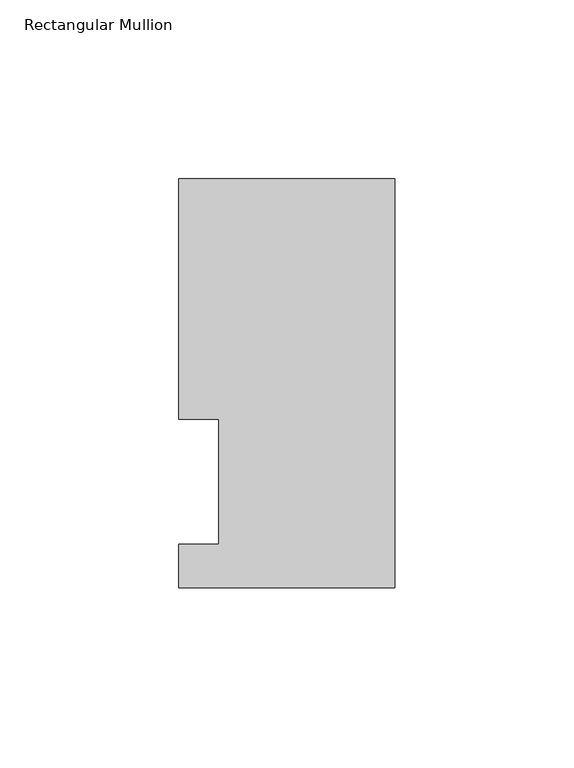
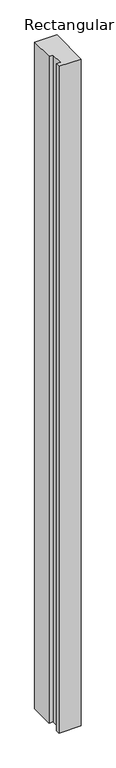
"""IFC4 building model written with IfcOpenShell, lengths in millimetres: member geometry, Rectangular Mullion."""

import ifcopenshell
import ifcopenshell.guid

model = None  # the IFC model being written
_history = None  # IfcOwnerHistory: only IFC2X3 demands one
_inside = {}  # id of a spatial element -> (the spatial element, [elements in it])
_under = {}  # id of a project, library or spatial element -> (it, [spatial elements below it])
_declared = {}  # id of a project -> (the project, [libraries it declares])
_typed = {}  # id of a type object -> (the type object, [elements of that type])
_made_of = {}  # id of a material, layer set ... -> (it, [elements and type objects made of it])


def new_model(schema):
    """Start an empty IFC model of exactly this schema.

    Asked for "IFC4X3", IfcOpenShell would pick the latest addendum, in which some entities
    have other attributes; the version numbers below select the first issue.
    IFC2X3 requires an IfcOwnerHistory on every rooted entity: one is made here for all.
    """
    global model, _history
    if schema == "IFC4X3":
        model = ifcopenshell.file(schema_version=(4, 3, 0, 0))
    else:
        model = ifcopenshell.file(schema=schema)
    _inside.clear()
    _under.clear()
    _declared.clear()
    _typed.clear()
    _made_of.clear()
    _history = None
    if model.schema == "IFC2X3":
        org = make("IfcOrganization", Name="unknown")
        user = make(
            "IfcPersonAndOrganization",
            ThePerson=make("IfcPerson", FamilyName="unknown"),
            TheOrganization=org,
        )
        app = make(
            "IfcApplication",
            ApplicationDeveloper=org,
            Version="unknown",
            ApplicationFullName="unknown",
            ApplicationIdentifier="unknown",
        )
        _history = make(
            "IfcOwnerHistory",
            OwningUser=user,
            OwningApplication=app,
            ChangeAction="ADDED",
            CreationDate=0,
        )
    return model


def make(cls, **values):
    """One entity of the class cls with the attributes given. An attribute that is None is left unset."""
    return model.create_entity(
        cls, **{name: value for name, value in values.items() if value is not None}
    )


def rooted(cls, **values):
    """An entity with a GlobalId (a new one), such as an element, a storey or a relation."""
    return make(cls, GlobalId=ifcopenshell.guid.new(), OwnerHistory=_history, **values)


def si_unit(unit_type, name, prefix=None):
    """IfcSIUnit, for example si_unit("LENGTHUNIT", "METRE", prefix="MILLI")."""
    return make("IfcSIUnit", UnitType=unit_type, Prefix=prefix, Name=name)


def assignment(units):
    """IfcUnitAssignment: the units of a project."""
    return None if units is None else make("IfcUnitAssignment", Units=units)


def point(xyz):
    """IfcCartesianPoint."""
    return None if xyz is None else make("IfcCartesianPoint", Coordinates=xyz)


def direction(xyz):
    """IfcDirection."""
    return None if xyz is None else make("IfcDirection", DirectionRatios=xyz)


def frame(location, z_axis=None, x_axis=None):
    """IfcAxis2Placement3D, a coordinate frame: its origin and axes. An axis left out is left unset."""
    return make(
        "IfcAxis2Placement3D",
        Location=point(location),
        Axis=direction(z_axis),
        RefDirection=direction(x_axis),
    )


def origin():
    """The frame at (0, 0, 0) with its axes left unset."""
    return frame((0.0, 0.0, 0.0))


def place(relative_to, where):
    """IfcLocalPlacement: puts the frame where relative to a parent placement (None: the world)."""
    return make(
        "IfcLocalPlacement", PlacementRelTo=relative_to, RelativePlacement=where
    )


def context(
    kind, dimensions, precision=None, world=None, true_north=None, identifier=None
):
    """IfcGeometricRepresentationContext, for example the 3D "Model" context."""
    return make(
        "IfcGeometricRepresentationContext",
        ContextIdentifier=identifier,
        ContextType=kind,
        CoordinateSpaceDimension=dimensions,
        Precision=precision,
        WorldCoordinateSystem=world,
        TrueNorth=true_north,
    )


def project(units=None, contexts=None):
    """IfcProject with its units and contexts."""
    return rooted(
        "IfcProject",
        Name="project",
        RepresentationContexts=contexts,
        UnitsInContext=assignment(units),
    )


def spatial(cls, under=None, at=None, **own):
    """A site, building, storey or space (cls), placed at a placement, below another one or the project."""
    s = rooted(cls, ObjectPlacement=at, **own)
    if under is not None:
        _under.setdefault(under.id(), (under, []))[1].append(s)
    return s


def polyline(points):
    """IfcPolyline through the points."""
    return make("IfcPolyline", Points=[point(p) for p in points])


def outline(outer, holes=None, kind="AREA"):
    """IfcArbitraryClosedProfileDef: a profile drawn as a closed curve; with holes, ...WithVoids."""
    if holes is None:
        return make("IfcArbitraryClosedProfileDef", ProfileType=kind, OuterCurve=outer)
    return make(
        "IfcArbitraryProfileDefWithVoids",
        ProfileType=kind,
        OuterCurve=outer,
        InnerCurves=holes,
    )


def extrude(swept, where, along, depth):
    """IfcExtrudedAreaSolid: the profile swept, set in the frame where, extruded along a direction by depth."""
    return make(
        "IfcExtrudedAreaSolid",
        SweptArea=swept,
        Position=where,
        ExtrudedDirection=direction(along),
        Depth=depth,
    )


def shape(context_of_items, identifier, shape_type, items):
    """IfcShapeRepresentation: the items that make up one representation, for example the "Body"."""
    return make(
        "IfcShapeRepresentation",
        ContextOfItems=context_of_items,
        RepresentationIdentifier=identifier,
        RepresentationType=shape_type,
        Items=items,
    )


def source(mapping_origin, context_of_items, identifier, shape_type, items):
    """IfcRepresentationMap: a shape defined once, which mapped items show again and again."""
    return make(
        "IfcRepresentationMap",
        MappingOrigin=mapping_origin,
        MappedRepresentation=shape(context_of_items, identifier, shape_type, items),
    )


def transform(
    local_origin,
    x_axis=None,
    y_axis=None,
    z_axis=None,
    scale=None,
    scale2=None,
    scale3=None,
    uniform=True,
):
    """IfcCartesianTransformationOperator3D, or its non-uniform kind. x_axis, y_axis, z_axis: its Axis1, 2, 3."""
    if uniform:
        return make(
            "IfcCartesianTransformationOperator3D",
            Axis1=direction(x_axis),
            Axis2=direction(y_axis),
            LocalOrigin=point(local_origin),
            Scale=scale,
            Axis3=direction(z_axis),
        )
    return make(
        "IfcCartesianTransformationOperator3DnonUniform",
        Axis1=direction(x_axis),
        Axis2=direction(y_axis),
        LocalOrigin=point(local_origin),
        Scale=scale,
        Axis3=direction(z_axis),
        Scale2=scale2,
        Scale3=scale3,
    )


def mapped(mapping_source, mapping_target):
    """IfcMappedItem: shows the shape of a source again, moved by a transform."""
    return make(
        "IfcMappedItem", MappingSource=mapping_source, MappingTarget=mapping_target
    )


def made_of(thing, what):
    """Note that an element or type object is made of a material, layer set ...; save() writes the relation."""
    if what is not None:
        _made_of.setdefault(what.id(), (what, []))[1].append(thing)
    return thing


def element(
    cls,
    number,
    at=None,
    inside=None,
    cuts=None,
    type_object=None,
    material=None,
    context=None,
    identifier="Body",
    shape_type=None,
    held_by="IfcProductDefinitionShape",
    body=None,
    shapes=None,
    **own,
):
    """One element of the class cls, such as IfcWall. Its Tag is "e" and its number.

    at: its placement. inside: the storey or other place that contains it. cuts: it is an
    opening in that element (IfcRelVoidsElement). A single representation is given by context,
    identifier, shape_type and body (its items); several are given by shapes. held_by: the class
    of the entity that holds the representations. save() writes the other relations.
    """
    e = rooted(cls, Tag="e%d" % number, ObjectPlacement=at, **own)
    if body is not None:
        shapes = [shape(context, identifier, shape_type, body)]
    if shapes is not None:
        e.Representation = make(held_by, Representations=shapes)
    if inside is not None:
        _inside.setdefault(inside.id(), (inside, []))[1].append(e)
    if cuts is not None:
        rooted(
            "IfcRelVoidsElement", RelatingBuildingElement=cuts, RelatedOpeningElement=e
        )
    if type_object is not None:
        _typed.setdefault(type_object.id(), (type_object, []))[1].append(e)
    return made_of(e, material)


def aggregate(whole, parts):
    """IfcRelAggregates: a whole, such as a stair, and the parts it consists of."""
    return rooted("IfcRelAggregates", RelatingObject=whole, RelatedObjects=parts)


def save(model, path):
    """Write the relations noted so far, then the file.

    IfcRelAggregates (storeys below a building ...), IfcRelContainedInSpatialStructure (elements
    in a storey), IfcRelDefinesByType, IfcRelAssociatesMaterial and IfcRelDeclares: one each for
    every whole, place, type object, material and project.
    """
    for whole, parts in _under.values():
        aggregate(whole, parts)
    for where, things in _inside.values():
        rooted(
            "IfcRelContainedInSpatialStructure",
            RelatedElements=things,
            RelatingStructure=where,
        )
    for kind, things in _typed.values():
        rooted("IfcRelDefinesByType", RelatedObjects=things, RelatingType=kind)
    for what, things in _made_of.values():
        rooted("IfcRelAssociatesMaterial", RelatedObjects=things, RelatingMaterial=what)
    for by, libraries in _declared.values():
        rooted("IfcRelDeclares", RelatingContext=by, RelatedDefinitions=libraries)
    model.write(path)


def rectangular_mullion_e39c2fed(model_context):
    return source(origin(), model_context, "Body", "SweptSolid", [
        extrude(outline(polyline([(0.0, 114.252375), (0.0, -0.047625), (-60.325, -0.047625), (-60.325, 12.144375), (-49.2125, 12.144375), (-49.2125, 47.069375), (-60.325, 47.069375), (-60.325, 114.252375), (0.0, 114.252375)])), frame((0.0, 0.0, -1914.5248985), z_axis=(0.0, 0.0, 1.0), x_axis=(1.0, 0.0, 0.0)), (0.0, 0.0, 1.0), 1914.5248985),
    ])


if __name__ == "__main__":
    model = new_model("IFC4")
    model_context = context("Model", 3, world=origin())
    ifc_project = project(units=[si_unit("LENGTHUNIT", "METRE", prefix="MILLI")], contexts=[model_context])
    site = spatial("IfcSite", under=ifc_project)
    building = spatial("IfcBuilding", under=site)
    placement = place(None, origin())
    rectangular_mullion_shape = rectangular_mullion_e39c2fed(model_context)
    element("IfcMember", 1, ObjectType="Rectangular Mullion", at=placement, inside=building, context=model_context, shape_type="MappedRepresentation", body=[
        mapped(rectangular_mullion_shape, transform((0.0, 0.0, 0.0), x_axis=(1.0, 0.0, 0.0), y_axis=(0.0, 1.0, 0.0), z_axis=(0.0, 0.0, 1.0))),
    ])
    save(model, "model.ifc")
